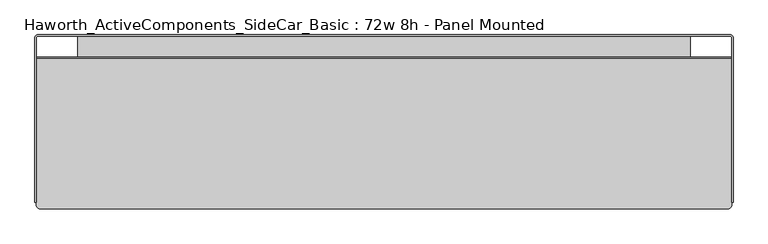
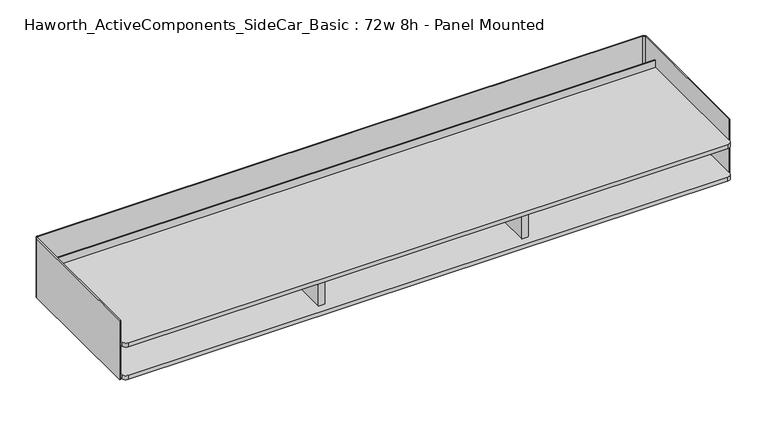
"""IFC4 building model written with IfcOpenShell, lengths in millimetres: furniture geometry, Haworth_ActiveComponents_SideCar_Basic : 72w 8h - Panel Mounted."""

from ifc_helpers import new_model, si_unit, point, frame, frame_2d, origin, place, context, project, spatial, polyline, circle_curve, trimmed, segment, composite_curve, outline, extrude, source, transform, mapped, element, save


def haworth_activecomponents_sidecar_basic_72w_8h_panel_mounted_f1bb620c(model_context):
    return source(origin(), model_context, "Body", "SweptSolid", [
        extrude(outline(composite_curve([segment(polyline([(865.1875, -457.2000121), (-865.1875, -457.2000121)]), True, "CONTINUOUS"), segment(trimmed(circle_curve(frame_2d((-865.1875, -444.5000121)), 12.7), [point((-865.1875, -457.2000121))], [point((-877.8875, -444.5000121))], False, "CARTESIAN"), True, "CONTINUOUS"), segment(polyline([(-877.8875, -444.5000121), (-877.8875, -166.1160172), (-808.83125, -166.1160172)]), True, "CONTINUOUS"), segment(trimmed(circle_curve(frame_2d((-808.83125, -158.9722672)), 7.14375), [point((-808.83125, -166.1160172))], [point((-801.6875, -158.9722672))], True, "CARTESIAN"), True, "CONTINUOUS"), segment(polyline([(-801.6875, -158.9722672), (-801.6875, -35.1790143), (801.6875, -35.1790143), (801.6875, -158.9722672)]), True, "CONTINUOUS"), segment(trimmed(circle_curve(frame_2d((808.83125, -158.9722672)), 7.14375), [point((801.6875, -158.9722672))], [point((808.83125, -166.1160172))], True, "CARTESIAN"), True, "CONTINUOUS"), segment(polyline([(808.83125, -166.1160172), (877.8875, -166.1160172), (877.8875, -444.5000121)]), True, "CONTINUOUS"), segment(trimmed(circle_curve(frame_2d((865.1875, -444.5000121)), 12.7), [point((877.8875, -444.5000121))], [point((865.1875, -457.2000121))], False, "CARTESIAN"), True, "CONTINUOUS")], self_intersect=False)), frame((0.0, 0.0, 850.9), z_axis=(0.0, 0.0, 1.0), x_axis=(1.0, 0.0, 0.0)), (0.0, 0.0, 1.0), 6.3500242),
        extrude(outline(composite_curve([segment(trimmed(circle_curve(frame_2d((-318.1985042, 838.009532)), 1.5875), [point((-319.7860042, 838.009532))], [point((-318.1985042, 836.422032))], True, "CARTESIAN"), True, "CONTINUOUS"), segment(polyline([(-318.1985042, 836.422032), (-276.9234921, 836.422032)]), True, "CONTINUOUS"), segment(trimmed(circle_curve(frame_2d((-276.9234921, 838.009532)), 1.5875), [point((-276.9234921, 836.422032))], [point((-275.3359921, 838.009532))], True, "CARTESIAN"), True, "CONTINUOUS"), segment(polyline([(-275.3359921, 838.009532), (-275.3359921, 847.725)]), True, "CONTINUOUS"), segment(trimmed(circle_curve(frame_2d((-272.1609921, 847.725)), 3.175), [point((-275.3359921, 847.725))], [point((-272.1609921, 850.9))], False, "CARTESIAN"), True, "CONTINUOUS"), segment(polyline([(-272.1609921, 850.9), (-258.0640085, 850.9), (-258.0640085, 849.3760378), (-272.2244935, 849.3760378)]), True, "CONTINUOUS"), segment(trimmed(circle_curve(frame_2d((-272.2244935, 847.7885378)), 1.5875), [point((-272.2244935, 849.3760378))], [point((-273.8119935, 847.7885378))], True, "CARTESIAN"), True, "CONTINUOUS"), segment(polyline([(-273.8119935, 847.7885378), (-273.8119935, 838.0729971)]), True, "CONTINUOUS"), segment(trimmed(circle_curve(frame_2d((-276.9869935, 838.0729971)), 3.175), [point((-273.8119935, 838.0729971))], [point((-276.9869935, 834.8979971))], False, "CARTESIAN"), True, "CONTINUOUS"), segment(polyline([(-276.9869935, 834.8979971), (-318.1350027, 834.8979971)]), True, "CONTINUOUS"), segment(trimmed(circle_curve(frame_2d((-318.1350027, 838.0729971)), 3.175), [point((-318.1350027, 834.8979971))], [point((-321.3100027, 838.0729971))], False, "CARTESIAN"), True, "CONTINUOUS"), segment(polyline([(-321.3100027, 838.0729971), (-321.3100027, 847.7885378)]), True, "CONTINUOUS"), segment(trimmed(circle_curve(frame_2d((-322.8975027, 847.7885378)), 1.5875), [point((-321.3100027, 847.7885378))], [point((-322.8975027, 849.3760378))], True, "CARTESIAN"), True, "CONTINUOUS"), segment(polyline([(-322.8975027, 849.3760378), (-337.0580059, 849.3760378), (-337.0580059, 850.9), (-322.9610042, 850.9)]), True, "CONTINUOUS"), segment(trimmed(circle_curve(frame_2d((-322.9610042, 847.725)), 3.175), [point((-322.9610042, 850.9))], [point((-319.7860042, 847.725))], False, "CARTESIAN"), True, "CONTINUOUS"), segment(polyline([(-319.7860042, 847.725), (-319.7860042, 838.009532)]), True, "CONTINUOUS")], self_intersect=False)), frame((-625.078125, 0.0, 0.0), z_axis=(1.0, 0.0, 0.0), x_axis=(0.0, 1.0, 0.0)), (0.0, 0.0, 1.0), 1224.75625),
        extrude(outline(composite_curve([segment(trimmed(circle_curve(frame_2d((-906.1648437, -39.9851563)), 8.2351562), [point((-914.4, -39.9851563))], [point((-906.1648437, -31.75))], False, "CARTESIAN"), True, "CONTINUOUS"), segment(polyline([(-906.1648437, -31.75), (906.1648438, -31.75)]), True, "CONTINUOUS"), segment(trimmed(circle_curve(frame_2d((906.1648438, -39.9851563)), 8.2351562), [point((906.1648438, -31.75))], [point((914.4, -39.9851563))], False, "CARTESIAN"), True, "CONTINUOUS"), segment(polyline([(914.4, -39.9851563), (914.4, -471.4748312), (911.225, -471.4748312), (911.225, -39.9851563)]), True, "CONTINUOUS"), segment(trimmed(circle_curve(frame_2d((906.1648438, -39.9851563)), 5.0601563), [point((911.225, -39.9851563))], [point((906.1648438, -34.925))], True, "CARTESIAN"), True, "CONTINUOUS"), segment(polyline([(906.1648438, -34.925), (-906.1648437, -34.925)]), True, "CONTINUOUS"), segment(trimmed(circle_curve(frame_2d((-906.1648437, -39.9851563)), 5.0601563), [point((-906.1648437, -34.925))], [point((-911.225, -39.9851563))], True, "CARTESIAN"), True, "CONTINUOUS"), segment(polyline([(-911.225, -39.9851563), (-911.225, -471.4748312), (-914.4, -471.4748312), (-914.4, -39.9851563)]), True, "CONTINUOUS")], self_intersect=False)), frame((0.0, 0.0, 850.9), z_axis=(0.0, 0.0, 1.0), x_axis=(1.0, 0.0, 0.0)), (0.0, 0.0, 1.0), 187.1979971),
        extrude(outline(polyline([(-295.275, -185.0643922), (-295.275, -464.4644306), (-314.325, -464.4644306), (-314.325, -185.0643922), (-295.275, -185.0643922)])), frame((0.0, 0.0, 869.9499758), z_axis=(0.0, 0.0, 1.0), x_axis=(1.0, 0.0, 0.0)), (0.0, 0.0, 1.0), 90.4875),
        extrude(outline(polyline([(295.275, -185.0643922), (314.325, -185.0643922), (314.325, -464.4644306), (295.275, -464.4644306), (295.275, -185.0643922)])), frame((0.0, 0.0, 869.9499758), z_axis=(0.0, 0.0, 1.0), x_axis=(1.0, 0.0, 0.0)), (0.0, 0.0, 1.0), 90.4875),
        extrude(outline(polyline([(909.4390625, -90.4392547), (909.4390625, -92.3366362), (-909.4390625, -92.3366362), (-909.4390625, -90.4392547), (909.4390625, -90.4392547)])), frame((0.0, 0.0, 960.4374758), z_axis=(0.0, 0.0, 1.0), x_axis=(1.0, 0.0, 0.0)), (0.0, 0.0, 1.0), 36.2661488),
        extrude(outline(composite_curve([segment(polyline([(898.525, -488.95), (-898.525, -488.95)]), True, "CONTINUOUS"), segment(trimmed(circle_curve(frame_2d((-898.525, -476.25)), 12.7), [point((-898.525, -488.95))], [point((-911.225, -476.25))], False, "CARTESIAN"), True, "CONTINUOUS"), segment(polyline([(-911.225, -476.25), (-911.225, -166.1160172), (-808.83125, -166.1160172)]), True, "CONTINUOUS"), segment(trimmed(circle_curve(frame_2d((-808.83125, -158.9722672)), 7.14375), [point((-808.83125, -166.1160172))], [point((-801.6875, -158.9722672))], True, "CARTESIAN"), True, "CONTINUOUS"), segment(polyline([(-801.6875, -158.9722672), (-801.6875, -35.1790143), (801.6875, -35.1790143), (801.6875, -158.9722672)]), True, "CONTINUOUS"), segment(trimmed(circle_curve(frame_2d((808.83125, -158.9722672)), 7.14375), [point((801.6875, -158.9722672))], [point((808.83125, -166.1160172))], True, "CARTESIAN"), True, "CONTINUOUS"), segment(polyline([(808.83125, -166.1160172), (911.225, -166.1160172), (911.225, -476.25)]), True, "CONTINUOUS"), segment(trimmed(circle_curve(frame_2d((898.525, -476.25)), 12.7), [point((911.225, -476.25))], [point((898.525, -488.95))], False, "CARTESIAN"), True, "CONTINUOUS")], self_intersect=False)), frame((0.0, 0.0, 857.2500242), z_axis=(0.0, 0.0, 1.0), x_axis=(1.0, 0.0, 0.0)), (0.0, 0.0, 1.0), 12.6999516),
        extrude(outline(composite_curve([segment(polyline([(-911.225, -92.3366362), (911.225, -92.3366362), (911.225, -476.25)]), True, "CONTINUOUS"), segment(trimmed(circle_curve(frame_2d((898.525, -476.25)), 12.7), [point((911.225, -476.25))], [point((898.525, -488.95))], False, "CARTESIAN"), True, "CONTINUOUS"), segment(polyline([(898.525, -488.95), (-898.525, -488.95)]), True, "CONTINUOUS"), segment(trimmed(circle_curve(frame_2d((-898.525, -476.25)), 12.7), [point((-898.525, -488.95))], [point((-911.225, -476.25))], False, "CARTESIAN"), True, "CONTINUOUS"), segment(polyline([(-911.225, -476.25), (-911.225, -92.3366362)]), True, "CONTINUOUS")], self_intersect=False)), frame((0.0, 0.0, 960.4374758), z_axis=(0.0, 0.0, 1.0), x_axis=(1.0, 0.0, 0.0)), (0.0, 0.0, 1.0), 12.7000242),
    ])


if __name__ == "__main__":
    model = new_model("IFC4")
    model_context = context("Model", 3, world=origin())
    ifc_project = project(units=[si_unit("LENGTHUNIT", "METRE", prefix="MILLI")], contexts=[model_context])
    site = spatial("IfcSite", under=ifc_project)
    building = spatial("IfcBuilding", under=site)
    placement = place(None, origin())
    haworth_activecomponents_sidecar_basic_72w_8h_panel_mounted_shape = haworth_activecomponents_sidecar_basic_72w_8h_panel_mounted_f1bb620c(model_context)
    element("IfcFurniture", 1, ObjectType="Haworth_ActiveComponents_SideCar_Basic : 72w 8h - Panel Mounted", at=placement, inside=building, context=model_context, shape_type="MappedRepresentation", body=[
        mapped(haworth_activecomponents_sidecar_basic_72w_8h_panel_mounted_shape, transform((0.0, 0.0, 0.0), x_axis=(1.0, 0.0, 0.0), y_axis=(0.0, 1.0, 0.0), z_axis=(0.0, 0.0, 1.0))),
    ])
    save(model, "model.ifc")
